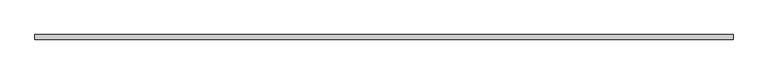
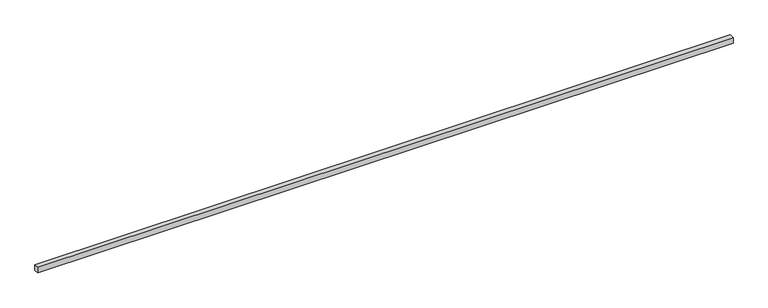
"""IFC4 building model written with IfcOpenShell, lengths in millimetres: proxy geometry."""

from ifc_helpers import new_model, si_unit, origin, origin_with_axes, place, context, project, spatial, polyline, outline, extrude, source, transform, mapped, element, save


def generic_models_7b15036d(model_context):
    return source(origin(), model_context, "Body", "SweptSolid", [
        extrude(outline(polyline([(12065.0, -40.0), (0.0, -40.0), (0.0, 40.0), (12065.0, 40.0), (12065.0, -40.0)])), origin_with_axes(), (0.0, 0.0, 1.0), 100.0),
    ])


if __name__ == "__main__":
    model = new_model("IFC4")
    model_context = context("Model", 3, world=origin())
    ifc_project = project(units=[si_unit("LENGTHUNIT", "METRE", prefix="MILLI")], contexts=[model_context])
    site = spatial("IfcSite", under=ifc_project)
    building = spatial("IfcBuilding", under=site)
    placement = place(None, origin())
    generic_models_shape = generic_models_7b15036d(model_context)
    element("IfcBuildingElementProxy", 1, Name="Generic Models", at=placement, inside=building, context=model_context, shape_type="MappedRepresentation", body=[
        mapped(generic_models_shape, transform((0.0, 0.0, 0.0), x_axis=(1.0, 0.0, 0.0), y_axis=(0.0, 1.0, 0.0), z_axis=(0.0, 0.0, 1.0))),
    ])
    save(model, "model.ifc")
